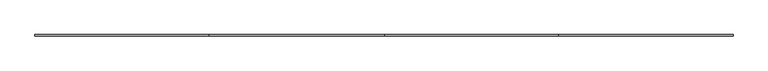
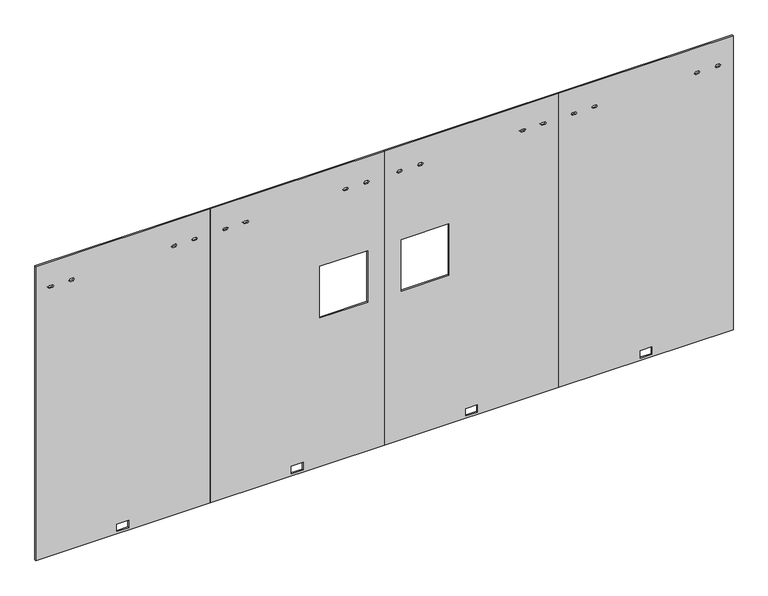
"""IFC4 building model written with IfcOpenShell, lengths in millimetres: furniture geometry."""

import ifcopenshell
import ifcopenshell.guid

model = None  # the IFC model being written
_history = None  # IfcOwnerHistory: only IFC2X3 demands one
_inside = {}  # id of a spatial element -> (the spatial element, [elements in it])
_under = {}  # id of a project, library or spatial element -> (it, [spatial elements below it])
_declared = {}  # id of a project -> (the project, [libraries it declares])
_typed = {}  # id of a type object -> (the type object, [elements of that type])
_made_of = {}  # id of a material, layer set ... -> (it, [elements and type objects made of it])


def new_model(schema):
    """Start an empty IFC model of exactly this schema.

    Asked for "IFC4X3", IfcOpenShell would pick the latest addendum, in which some entities
    have other attributes; the version numbers below select the first issue.
    IFC2X3 requires an IfcOwnerHistory on every rooted entity: one is made here for all.
    """
    global model, _history
    if schema == "IFC4X3":
        model = ifcopenshell.file(schema_version=(4, 3, 0, 0))
    else:
        model = ifcopenshell.file(schema=schema)
    _inside.clear()
    _under.clear()
    _declared.clear()
    _typed.clear()
    _made_of.clear()
    _history = None
    if model.schema == "IFC2X3":
        org = make("IfcOrganization", Name="unknown")
        user = make(
            "IfcPersonAndOrganization",
            ThePerson=make("IfcPerson", FamilyName="unknown"),
            TheOrganization=org,
        )
        app = make(
            "IfcApplication",
            ApplicationDeveloper=org,
            Version="unknown",
            ApplicationFullName="unknown",
            ApplicationIdentifier="unknown",
        )
        _history = make(
            "IfcOwnerHistory",
            OwningUser=user,
            OwningApplication=app,
            ChangeAction="ADDED",
            CreationDate=0,
        )
    return model


def make(cls, **values):
    """One entity of the class cls with the attributes given. An attribute that is None is left unset."""
    return model.create_entity(
        cls, **{name: value for name, value in values.items() if value is not None}
    )


def rooted(cls, **values):
    """An entity with a GlobalId (a new one), such as an element, a storey or a relation."""
    return make(cls, GlobalId=ifcopenshell.guid.new(), OwnerHistory=_history, **values)


def si_unit(unit_type, name, prefix=None):
    """IfcSIUnit, for example si_unit("LENGTHUNIT", "METRE", prefix="MILLI")."""
    return make("IfcSIUnit", UnitType=unit_type, Prefix=prefix, Name=name)


def assignment(units):
    """IfcUnitAssignment: the units of a project."""
    return None if units is None else make("IfcUnitAssignment", Units=units)


def point(xyz):
    """IfcCartesianPoint."""
    return None if xyz is None else make("IfcCartesianPoint", Coordinates=xyz)


def direction(xyz):
    """IfcDirection."""
    return None if xyz is None else make("IfcDirection", DirectionRatios=xyz)


def frame(location, z_axis=None, x_axis=None):
    """IfcAxis2Placement3D, a coordinate frame: its origin and axes. An axis left out is left unset."""
    return make(
        "IfcAxis2Placement3D",
        Location=point(location),
        Axis=direction(z_axis),
        RefDirection=direction(x_axis),
    )


def origin():
    """The frame at (0, 0, 0) with its axes left unset."""
    return frame((0.0, 0.0, 0.0))


def place(relative_to, where):
    """IfcLocalPlacement: puts the frame where relative to a parent placement (None: the world)."""
    return make(
        "IfcLocalPlacement", PlacementRelTo=relative_to, RelativePlacement=where
    )


def context(
    kind, dimensions, precision=None, world=None, true_north=None, identifier=None
):
    """IfcGeometricRepresentationContext, for example the 3D "Model" context."""
    return make(
        "IfcGeometricRepresentationContext",
        ContextIdentifier=identifier,
        ContextType=kind,
        CoordinateSpaceDimension=dimensions,
        Precision=precision,
        WorldCoordinateSystem=world,
        TrueNorth=true_north,
    )


def project(units=None, contexts=None):
    """IfcProject with its units and contexts."""
    return rooted(
        "IfcProject",
        Name="project",
        RepresentationContexts=contexts,
        UnitsInContext=assignment(units),
    )


def spatial(cls, under=None, at=None, **own):
    """A site, building, storey or space (cls), placed at a placement, below another one or the project."""
    s = rooted(cls, ObjectPlacement=at, **own)
    if under is not None:
        _under.setdefault(under.id(), (under, []))[1].append(s)
    return s


def polyline(points):
    """IfcPolyline through the points."""
    return make("IfcPolyline", Points=[point(p) for p in points])


def outline(outer, holes=None, kind="AREA"):
    """IfcArbitraryClosedProfileDef: a profile drawn as a closed curve; with holes, ...WithVoids."""
    if holes is None:
        return make("IfcArbitraryClosedProfileDef", ProfileType=kind, OuterCurve=outer)
    return make(
        "IfcArbitraryProfileDefWithVoids",
        ProfileType=kind,
        OuterCurve=outer,
        InnerCurves=holes,
    )


def extrude(swept, where, along, depth):
    """IfcExtrudedAreaSolid: the profile swept, set in the frame where, extruded along a direction by depth."""
    return make(
        "IfcExtrudedAreaSolid",
        SweptArea=swept,
        Position=where,
        ExtrudedDirection=direction(along),
        Depth=depth,
    )


def shape(context_of_items, identifier, shape_type, items):
    """IfcShapeRepresentation: the items that make up one representation, for example the "Body"."""
    return make(
        "IfcShapeRepresentation",
        ContextOfItems=context_of_items,
        RepresentationIdentifier=identifier,
        RepresentationType=shape_type,
        Items=items,
    )


def source(mapping_origin, context_of_items, identifier, shape_type, items):
    """IfcRepresentationMap: a shape defined once, which mapped items show again and again."""
    return make(
        "IfcRepresentationMap",
        MappingOrigin=mapping_origin,
        MappedRepresentation=shape(context_of_items, identifier, shape_type, items),
    )


def transform(
    local_origin,
    x_axis=None,
    y_axis=None,
    z_axis=None,
    scale=None,
    scale2=None,
    scale3=None,
    uniform=True,
):
    """IfcCartesianTransformationOperator3D, or its non-uniform kind. x_axis, y_axis, z_axis: its Axis1, 2, 3."""
    if uniform:
        return make(
            "IfcCartesianTransformationOperator3D",
            Axis1=direction(x_axis),
            Axis2=direction(y_axis),
            LocalOrigin=point(local_origin),
            Scale=scale,
            Axis3=direction(z_axis),
        )
    return make(
        "IfcCartesianTransformationOperator3DnonUniform",
        Axis1=direction(x_axis),
        Axis2=direction(y_axis),
        LocalOrigin=point(local_origin),
        Scale=scale,
        Axis3=direction(z_axis),
        Scale2=scale2,
        Scale3=scale3,
    )


def mapped(mapping_source, mapping_target):
    """IfcMappedItem: shows the shape of a source again, moved by a transform."""
    return make(
        "IfcMappedItem", MappingSource=mapping_source, MappingTarget=mapping_target
    )


def made_of(thing, what):
    """Note that an element or type object is made of a material, layer set ...; save() writes the relation."""
    if what is not None:
        _made_of.setdefault(what.id(), (what, []))[1].append(thing)
    return thing


def element(
    cls,
    number,
    at=None,
    inside=None,
    cuts=None,
    type_object=None,
    material=None,
    context=None,
    identifier="Body",
    shape_type=None,
    held_by="IfcProductDefinitionShape",
    body=None,
    shapes=None,
    **own,
):
    """One element of the class cls, such as IfcWall. Its Tag is "e" and its number.

    at: its placement. inside: the storey or other place that contains it. cuts: it is an
    opening in that element (IfcRelVoidsElement). A single representation is given by context,
    identifier, shape_type and body (its items); several are given by shapes. held_by: the class
    of the entity that holds the representations. save() writes the other relations.
    """
    e = rooted(cls, Tag="e%d" % number, ObjectPlacement=at, **own)
    if body is not None:
        shapes = [shape(context, identifier, shape_type, body)]
    if shapes is not None:
        e.Representation = make(held_by, Representations=shapes)
    if inside is not None:
        _inside.setdefault(inside.id(), (inside, []))[1].append(e)
    if cuts is not None:
        rooted(
            "IfcRelVoidsElement", RelatingBuildingElement=cuts, RelatedOpeningElement=e
        )
    if type_object is not None:
        _typed.setdefault(type_object.id(), (type_object, []))[1].append(e)
    return made_of(e, material)


def aggregate(whole, parts):
    """IfcRelAggregates: a whole, such as a stair, and the parts it consists of."""
    return rooted("IfcRelAggregates", RelatingObject=whole, RelatedObjects=parts)


def save(model, path):
    """Write the relations noted so far, then the file.

    IfcRelAggregates (storeys below a building ...), IfcRelContainedInSpatialStructure (elements
    in a storey), IfcRelDefinesByType, IfcRelAssociatesMaterial and IfcRelDeclares: one each for
    every whole, place, type object, material and project.
    """
    for whole, parts in _under.values():
        aggregate(whole, parts)
    for where, things in _inside.values():
        rooted(
            "IfcRelContainedInSpatialStructure",
            RelatedElements=things,
            RelatingStructure=where,
        )
    for kind, things in _typed.values():
        rooted("IfcRelDefinesByType", RelatedObjects=things, RelatingType=kind)
    for what, things in _made_of.values():
        rooted("IfcRelAssociatesMaterial", RelatedObjects=things, RelatingMaterial=what)
    for by, libraries in _declared.values():
        rooted("IfcRelDeclares", RelatingContext=by, RelatedDefinitions=libraries)
    model.write(path)


def furniture_ed8cf591(model_context):
    return source(origin(), model_context, "Body", "SweptSolid", [
        extrude(outline(polyline([(12.7, 4876.8), (2186.3010468, 4876.8), (2186.3010468, 3657.6), (12.7, 3657.6), (12.7, 4876.8)]), holes=[polyline([(83.9724, 4308.3226), (29.6164, 4308.3226), (29.6164, 4226.0774), (83.9724, 4226.0774), (83.9724, 4308.3226)]), polyline([(2001.1032968, 3745.6299829), (2011.0981968, 3753.6817829), (2011.0981968, 3775.6781829), (2001.1032968, 3783.7299829), (1991.1083968, 3775.6781829), (1991.1083968, 3753.6817829), (2001.1032968, 3745.6299829)]), polyline([(2001.1032968, 3890.049983), (2011.0981968, 3898.101783), (2011.0981968, 3920.098183), (2001.1032968, 3928.149983), (1991.1083968, 3920.098183), (1991.1083968, 3898.101783), (2001.1032968, 3890.049983)]), polyline([(2001.1032968, 4606.250017), (2011.0981968, 4614.301817), (2011.0981968, 4636.298217), (2001.1032968, 4644.350017), (1991.1083968, 4636.298217), (1991.1083968, 4614.301817), (2001.1032968, 4606.250017)]), polyline([(2001.1032968, 4750.6700171), (2011.0981968, 4758.7218171), (2011.0981968, 4780.7182171), (2001.1032968, 4788.7700171), (1991.1083968, 4780.7182171), (1991.1083968, 4758.7218171), (2001.1032968, 4750.6700171)])]), frame((0.0, -4.7752, 0.0), z_axis=(0.0, 1.0, 0.0), x_axis=(0.0, 0.0, 1.0)), (0.0, 0.0, 1.0), 9.525),
        extrude(outline(polyline([(12.7, 2438.4), (2186.3010468, 2438.4), (2186.3010468, 1219.2), (12.7, 1219.2), (12.7, 2438.4)]), holes=[polyline([(1491.9706, 1987.804), (1491.9706, 2321.4076), (1110.9706, 2321.4076), (1110.9706, 1987.804), (1491.9706, 1987.804)]), polyline([(83.9724, 1869.9226), (29.6164, 1869.9226), (29.6164, 1787.6774), (83.9724, 1787.6774), (83.9724, 1869.9226)]), polyline([(2001.1032968, 1307.2299829), (2011.0981968, 1315.2817829), (2011.0981968, 1337.2781829), (2001.1032968, 1345.3299829), (1991.1083968, 1337.2781829), (1991.1083968, 1315.2817829), (2001.1032968, 1307.2299829)]), polyline([(2001.1032968, 1451.649983), (2011.0981968, 1459.701783), (2011.0981968, 1481.698183), (2001.1032968, 1489.749983), (1991.1083968, 1481.698183), (1991.1083968, 1459.701783), (2001.1032968, 1451.649983)]), polyline([(2001.1032968, 2148.800017), (2011.0981968, 2156.851817), (2011.0981968, 2178.848217), (2001.1032968, 2186.900017), (1991.1083968, 2178.848217), (1991.1083968, 2156.851817), (2001.1032968, 2148.800017)]), polyline([(2001.1032968, 2293.2200171), (2011.0981968, 2301.2718171), (2011.0981968, 2323.2682171), (2001.1032968, 2331.3200171), (1991.1083968, 2323.2682171), (1991.1083968, 2301.2718171), (2001.1032968, 2293.2200171)])]), frame((0.0, -4.7752, 0.0), z_axis=(0.0, 1.0, 0.0), x_axis=(0.0, 0.0, 1.0)), (0.0, 0.0, 1.0), 9.525),
        extrude(outline(polyline([(12.7, 2438.4), (12.7, 3657.6), (2186.3010468, 3657.6), (2186.3010468, 2438.4), (12.7, 2438.4)]), holes=[polyline([(1110.9706, 2888.996), (1110.9706, 2555.3924), (1491.9706, 2555.3924), (1491.9706, 2888.996), (1110.9706, 2888.996)]), polyline([(29.6164, 3006.8774), (83.9724, 3006.8774), (83.9724, 3089.1226), (29.6164, 3089.1226), (29.6164, 3006.8774)]), polyline([(2001.1032968, 2526.4299829), (2011.0981968, 2534.4817829), (2011.0981968, 2556.4781829), (2001.1032968, 2564.5299829), (1991.1083968, 2556.4781829), (1991.1083968, 2534.4817829), (2001.1032968, 2526.4299829)]), polyline([(2001.1032968, 2670.849983), (2011.0981968, 2678.901783), (2011.0981968, 2700.898183), (2001.1032968, 2708.949983), (1991.1083968, 2700.898183), (1991.1083968, 2678.901783), (2001.1032968, 2670.849983)]), polyline([(2001.1032968, 3387.050017), (2011.0981968, 3395.101817), (2011.0981968, 3417.098217), (2001.1032968, 3425.150017), (1991.1083968, 3417.098217), (1991.1083968, 3395.101817), (2001.1032968, 3387.050017)]), polyline([(2001.1032968, 3531.4700171), (2011.0981968, 3539.5218171), (2011.0981968, 3561.5182171), (2001.1032968, 3569.5700171), (1991.1083968, 3561.5182171), (1991.1083968, 3539.5218171), (2001.1032968, 3531.4700171)])]), frame((0.0, -4.7752, 0.0), z_axis=(0.0, 1.0, 0.0), x_axis=(0.0, 0.0, 1.0)), (0.0, 0.0, 1.0), 9.525),
        extrude(outline(polyline([(12.7, 0.0), (12.7, 1219.2), (2186.3010468, 1219.2), (2186.3010468, 0.0), (12.7, 0.0)]), holes=[polyline([(29.6164, 568.4774), (83.9724, 568.4774), (83.9724, 650.7226), (29.6164, 650.7226), (29.6164, 568.4774)]), polyline([(2001.1032968, 88.0299829), (2011.0981968, 96.0817829), (2011.0981968, 118.0781829), (2001.1032968, 126.1299829), (1991.1083968, 118.0781829), (1991.1083968, 96.0817829), (2001.1032968, 88.0299829)]), polyline([(2001.1032968, 232.449983), (2011.0981968, 240.501783), (2011.0981968, 262.498183), (2001.1032968, 270.549983), (1991.1083968, 262.498183), (1991.1083968, 240.501783), (2001.1032968, 232.449983)]), polyline([(2001.1032968, 948.650017), (2011.0981968, 956.701817), (2011.0981968, 978.698217), (2001.1032968, 986.750017), (1991.1083968, 978.698217), (1991.1083968, 956.701817), (2001.1032968, 948.650017)]), polyline([(2001.1032968, 1093.0700171), (2011.0981968, 1101.1218171), (2011.0981968, 1123.1182171), (2001.1032968, 1131.1700171), (1991.1083968, 1123.1182171), (1991.1083968, 1101.1218171), (2001.1032968, 1093.0700171)])]), frame((0.0, -4.7752, 0.0), z_axis=(0.0, 1.0, 0.0), x_axis=(0.0, 0.0, 1.0)), (0.0, 0.0, 1.0), 9.525),
    ])


if __name__ == "__main__":
    model = new_model("IFC4")
    model_context = context("Model", 3, world=origin())
    ifc_project = project(units=[si_unit("LENGTHUNIT", "METRE", prefix="MILLI")], contexts=[model_context])
    site = spatial("IfcSite", under=ifc_project)
    building = spatial("IfcBuilding", under=site)
    placement = place(None, origin())
    furniture_shape = furniture_ed8cf591(model_context)
    element("IfcFurniture", 1, at=placement, inside=building, context=model_context, shape_type="MappedRepresentation", body=[
        mapped(furniture_shape, transform((0.0, 0.0, 0.0), x_axis=(1.0, 0.0, 0.0), y_axis=(0.0, 1.0, 0.0), z_axis=(0.0, 0.0, 1.0))),
    ])
    save(model, "model.ifc")
